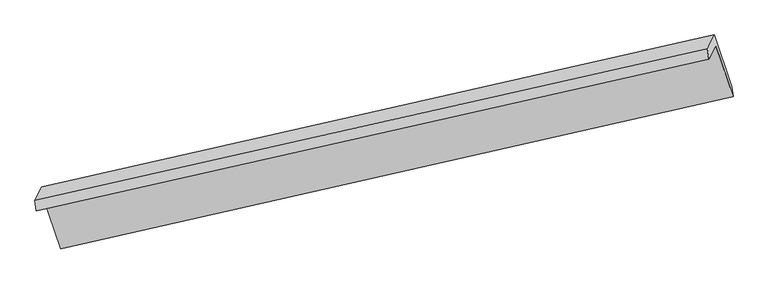
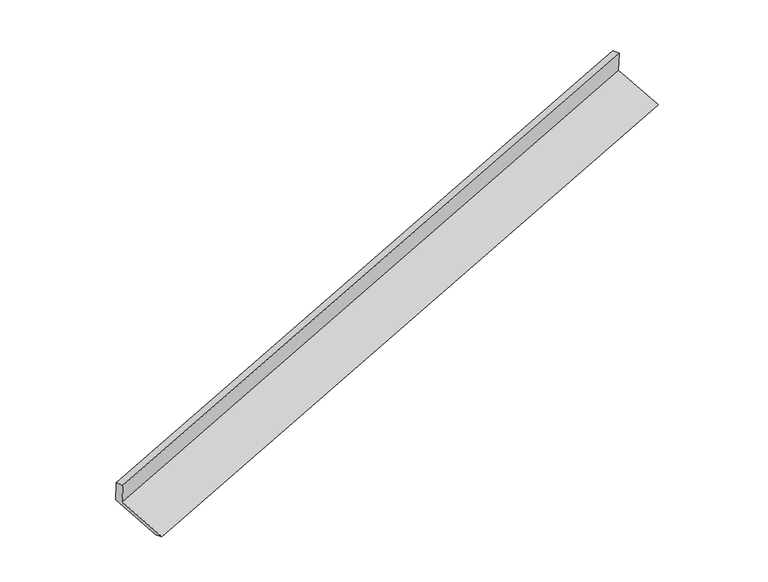
"""IFC4 building model written with IfcOpenShell, lengths in millimetres: proxy geometry."""

from ifc_helpers import new_model, si_unit, origin, place, context, project, spatial, faceted_brep, source, transform, mapped, element, save


def generic_models_1b97c9bd(model_context):
    return source(origin(), model_context, "Body", "Brep", [
        faceted_brep([(-7432.0755777, -2474.4235716, 920.0268646), (-7341.4512865, -2296.3611784, 503.8821896), (1545.6143496, -282.6063891, 3273.1533757), (1454.9900584, -460.6687823, 3689.2980508), (-7452.2992536, -2334.5848089, 883.4739341), (1434.7663825, -320.8300196, 3652.7451202), (-7360.8484662, -2154.8984815, 463.5340076), (1526.2171699, -141.1436922, 3232.8051938), (-7128.4440085, -2841.5768912, 220.325052), (1758.6216276, -827.8221019, 2989.5962382), (-7112.1938969, -2973.7410414, 263.9666094), (1774.8717392, -959.9862521, 3033.2377956)], [[[0, 1, 2, 3]], [[4, 0, 3, 5]], [[6, 4, 5, 7]], [[8, 6, 7, 9]], [[10, 8, 9, 11]], [[1, 10, 11, 2]], [[9, 7, 5, 3, 2, 11]], [[1, 0, 4, 6, 8, 10]]]),
    ])


if __name__ == "__main__":
    model = new_model("IFC4")
    model_context = context("Model", 3, world=origin())
    ifc_project = project(units=[si_unit("LENGTHUNIT", "METRE", prefix="MILLI")], contexts=[model_context])
    site = spatial("IfcSite", under=ifc_project)
    building = spatial("IfcBuilding", under=site)
    placement = place(None, origin())
    generic_models_shape = generic_models_1b97c9bd(model_context)
    element("IfcBuildingElementProxy", 1, Name="Generic Models", at=placement, inside=building, context=model_context, shape_type="MappedRepresentation", body=[
        mapped(generic_models_shape, transform((0.0, 0.0, 0.0), x_axis=(1.0, 0.0, 0.0), y_axis=(0.0, 1.0, 0.0), z_axis=(0.0, 0.0, 1.0))),
    ])
    save(model, "model.ifc")
